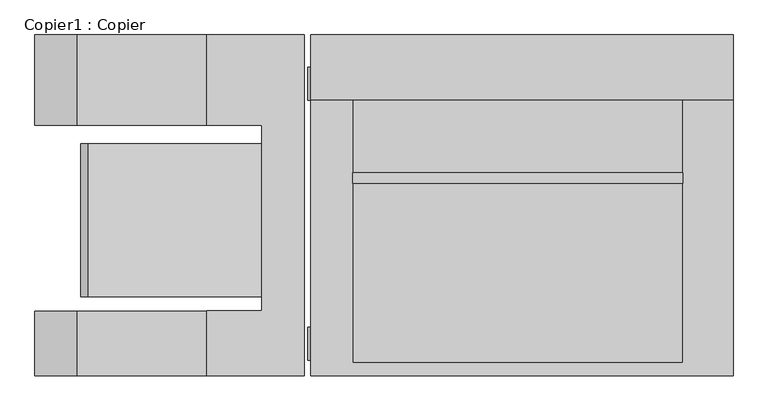
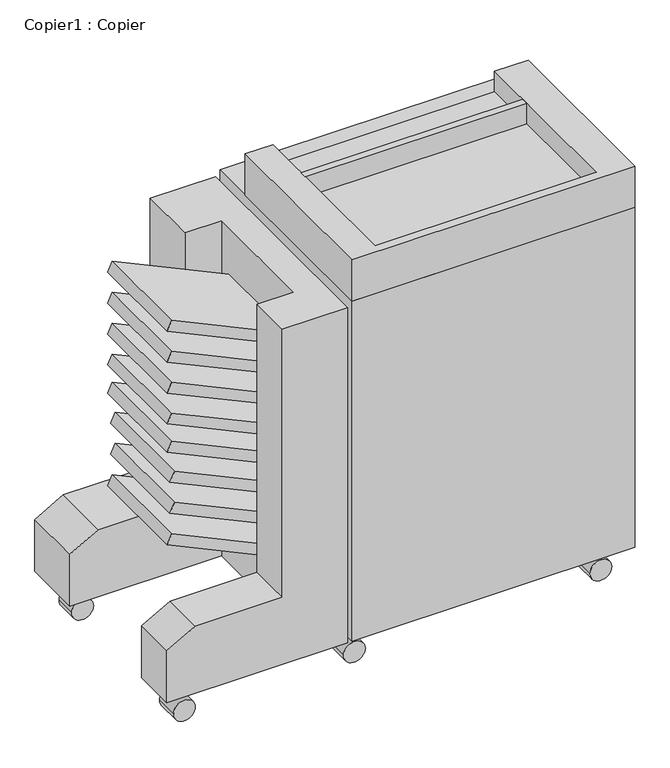
"""IFC4 building model written with IfcOpenShell, lengths in millimetres: proxy geometry, Copier1 : Copier."""

from ifc_helpers import new_model, si_unit, point, frame, frame_2d, origin, place, context, project, spatial, polyline, circle_curve, trimmed, segment, composite_curve, outline, extrude, faceted_brep, source, transform, mapped, element, save


def copier1_copier_7d72a301(model_context):
    return source(origin(), model_context, "Body", "SolidModel", [
        extrude(outline(polyline([(387.7567294, -681.6535349), (364.7365116, -692.3880388), (232.9041289, -409.6725817), (260.929928, -409.6725817), (387.7567294, -681.6535349)])), frame((0.0, -167.6536807, 0.0), z_axis=(0.0, 1.0, 0.0), x_axis=(0.0, 0.0, 1.0)), (0.0, 0.0, 1.0), 239.8222339),
        extrude(outline(polyline([(463.6667654, -675.0122673), (440.6465476, -685.7467712), (311.9110388, -409.6725817), (339.9368379, -409.6725817), (463.6667654, -675.0122673)])), frame((0.0, -167.6536807, 0.0), z_axis=(0.0, 1.0, 0.0), x_axis=(0.0, 0.0, 1.0)), (0.0, 0.0, 1.0), 239.8222339),
        extrude(outline(polyline([(539.8667654, -675.0122673), (516.8465476, -685.7467712), (388.1110388, -409.6725817), (416.1368379, -409.6725817), (539.8667654, -675.0122673)])), frame((0.0, -167.6536807, 0.0), z_axis=(0.0, 1.0, 0.0), x_axis=(0.0, 0.0, 1.0)), (0.0, 0.0, 1.0), 239.8222339),
        extrude(outline(polyline([(914.2268014, -681.6535349), (891.2065836, -692.3880388), (759.3742009, -409.6725817), (787.4, -409.6725817), (914.2268014, -681.6535349)])), frame((0.0, -167.6536807, 0.0), z_axis=(0.0, 1.0, 0.0), x_axis=(0.0, 0.0, 1.0)), (0.0, 0.0, 1.0), 239.8222339),
        extrude(outline(polyline([(838.0268014, -681.6535349), (815.0065836, -692.3880388), (683.1742009, -409.6725817), (711.2, -409.6725817), (838.0268014, -681.6535349)])), frame((0.0, -167.6536807, 0.0), z_axis=(0.0, 1.0, 0.0), x_axis=(0.0, 0.0, 1.0)), (0.0, 0.0, 1.0), 239.8222339),
        extrude(outline(polyline([(615.7768014, -681.6535349), (592.7565836, -692.3880388), (460.9242009, -409.6725817), (488.95, -409.6725817), (615.7768014, -681.6535349)])), frame((0.0, -167.6536807, 0.0), z_axis=(0.0, 1.0, 0.0), x_axis=(0.0, 0.0, 1.0)), (0.0, 0.0, 1.0), 239.8222339),
        extrude(outline(polyline([(685.6268014, -681.6535349), (662.6065836, -692.3880388), (530.7742009, -409.6725817), (558.8, -409.6725817), (685.6268014, -681.6535349)])), frame((0.0, -167.6536807, 0.0), z_axis=(0.0, 1.0, 0.0), x_axis=(0.0, 0.0, 1.0)), (0.0, 0.0, 1.0), 239.8222339),
        extrude(outline(polyline([(761.8268014, -681.6535349), (738.8065836, -692.3880388), (606.9742009, -409.6725817), (635.0, -409.6725817), (761.8268014, -681.6535349)])), frame((0.0, -167.6536807, 0.0), z_axis=(0.0, 1.0, 0.0), x_axis=(0.0, 0.0, 1.0)), (0.0, 0.0, 1.0), 239.8222339),
        extrude(outline(composite_curve([segment(trimmed(circle_curve(frame_2d((26.0668925, -711.8709821)), 25.4), [point((26.0668925, -737.2709821))], [point((26.0668925, -686.4709821))], False, "CARTESIAN"), True, "CONTINUOUS"), segment(trimmed(circle_curve(frame_2d((26.0668925, -711.8709821)), 25.4), [point((26.0668925, -686.4709821))], [point((26.0668925, -737.2709821))], False, "CARTESIAN"), True, "CONTINUOUS")], self_intersect=False)), frame((0.0, -271.1108348, 0.0), z_axis=(0.0, 1.0, 0.0), x_axis=(0.0, 0.0, 1.0)), (0.0, 0.0, 1.0), 55.9418879),
        extrude(outline(composite_curve([segment(trimmed(circle_curve(frame_2d((26.0668925, -711.8709821)), 25.4), [point((26.0668925, -737.2709821))], [point((26.0668925, -686.4709821))], False, "CARTESIAN"), True, "CONTINUOUS"), segment(trimmed(circle_curve(frame_2d((26.0668925, -711.8709821)), 25.4), [point((26.0668925, -686.4709821))], [point((26.0668925, -737.2709821))], False, "CARTESIAN"), True, "CONTINUOUS")], self_intersect=False)), frame((0.0, 139.9052479, 0.0), z_axis=(0.0, 1.0, 0.0), x_axis=(0.0, 0.0, 1.0)), (0.0, 0.0, 1.0), 51.3258053),
        faceted_brep([(-764.1654582, 242.0310532, 76.2), (-764.1654582, 242.0310532, 203.2), (-698.1743224, 242.0310532, 241.3), (-494.9743224, 242.0310532, 241.3), (-494.9743224, 242.0310532, 901.7), (-342.5743224, 242.0310532, 901.7), (-342.5743224, 242.0310532, 76.2), (-764.1654582, -291.3689468, 76.2), (-342.5743224, -291.3689468, 76.2), (-342.5743224, -291.3689468, 901.7), (-494.9743224, -291.3689468, 901.7), (-494.9743224, -291.3689468, 241.3), (-698.1743224, -291.3689468, 241.3), (-764.1654582, -291.3689468, 203.2), (-764.1654582, -189.7689468, 76.2), (-409.6725817, -189.7689468, 76.2), (-409.6725817, 100.8888364, 76.2), (-764.1654582, 100.8888364, 76.2), (-494.9743224, 100.8888364, 901.7), (-409.6725817, 100.8888364, 901.7), (-409.6725817, -189.7689468, 901.7), (-494.9743224, -189.7689468, 901.7), (-494.9743224, -189.7689468, 241.3), (-494.9743224, 100.8888364, 241.3), (-698.1743224, -189.7689468, 241.3), (-698.1743224, 100.8888364, 241.3), (-764.1654582, -189.7689468, 203.2), (-764.1654582, 100.8888364, 203.2)], [[[0, 1, 2, 3, 4, 5, 6]], [[7, 8, 9, 10, 11, 12, 13]], [[6, 8, 7, 14, 15, 16, 17, 0]], [[5, 9, 8, 6]], [[4, 18, 19, 20, 21, 10, 9, 5]], [[10, 21, 22, 11]], [[3, 23, 18, 4]], [[11, 22, 24, 12]], [[2, 25, 23, 3]], [[12, 24, 26, 13]], [[1, 27, 25, 2]], [[0, 17, 27, 1]], [[13, 26, 14, 7]], [[15, 14, 26, 24, 22, 21, 20]], [[19, 18, 23, 25, 27, 17, 16]], [[20, 19, 16, 15]]]),
        extrude(outline(composite_curve([segment(trimmed(circle_curve(frame_2d((27.9129458, -312.2555429)), 25.4), [point((27.9129458, -337.6555429))], [point((27.9129458, -286.8555429))], False, "CARTESIAN"), True, "CONTINUOUS"), segment(trimmed(circle_curve(frame_2d((27.9129458, -312.2555429)), 25.4), [point((27.9129458, -286.8555429))], [point((27.9129458, -337.6555429))], False, "CARTESIAN"), True, "CONTINUOUS")], self_intersect=False)), frame((0.0, -266.4947521, 0.0), z_axis=(0.0, 1.0, 0.0), x_axis=(0.0, 0.0, 1.0)), (0.0, 0.0, 1.0), 51.3258053),
        extrude(outline(composite_curve([segment(trimmed(circle_curve(frame_2d((27.9129458, 262.7398948)), 25.4), [point((27.9129458, 237.3398948))], [point((27.9129458, 288.1398948))], False, "CARTESIAN"), True, "CONTINUOUS"), segment(trimmed(circle_curve(frame_2d((27.9129458, 262.7398948)), 25.4), [point((27.9129458, 288.1398948))], [point((27.9129458, 237.3398948))], False, "CARTESIAN"), True, "CONTINUOUS")], self_intersect=False)), frame((0.0, -266.4947521, 0.0), z_axis=(0.0, 1.0, 0.0), x_axis=(0.0, 0.0, 1.0)), (0.0, 0.0, 1.0), 51.3258053),
        extrude(outline(composite_curve([segment(trimmed(circle_curve(frame_2d((27.9129458, -312.2555429)), 25.4), [point((27.9129458, -337.6555429))], [point((27.9129458, -286.8555429))], False, "CARTESIAN"), True, "CONTINUOUS"), segment(trimmed(circle_curve(frame_2d((27.9129458, -312.2555429)), 25.4), [point((27.9129458, -286.8555429))], [point((27.9129458, -337.6555429))], False, "CARTESIAN"), True, "CONTINUOUS")], self_intersect=False)), frame((0.0, 139.9052479, 0.0), z_axis=(0.0, 1.0, 0.0), x_axis=(0.0, 0.0, 1.0)), (0.0, 0.0, 1.0), 51.3258053),
        extrude(outline(composite_curve([segment(trimmed(circle_curve(frame_2d((27.9129458, 262.7398948)), 25.4), [point((27.9129458, 237.3398948))], [point((27.9129458, 288.1398948))], False, "CARTESIAN"), True, "CONTINUOUS"), segment(trimmed(circle_curve(frame_2d((27.9129458, 262.7398948)), 25.4), [point((27.9129458, 288.1398948))], [point((27.9129458, 237.3398948))], False, "CARTESIAN"), True, "CONTINUOUS")], self_intersect=False)), frame((0.0, 139.9052479, 0.0), z_axis=(0.0, 1.0, 0.0), x_axis=(0.0, 0.0, 1.0)), (0.0, 0.0, 1.0), 51.3258053),
        extrude(outline(composite_curve([segment(trimmed(circle_curve(frame_2d((27.9129458, -306.6302391)), 25.4), [point((27.9129458, -332.0302391))], [point((27.9129458, -281.2302391))], False, "CARTESIAN"), True, "CONTINUOUS"), segment(trimmed(circle_curve(frame_2d((27.9129458, -306.6302391)), 25.4), [point((27.9129458, -281.2302391))], [point((27.9129458, -332.0302391))], False, "CARTESIAN"), True, "CONTINUOUS")], self_intersect=False)), frame((0.0, 139.9052479, 0.0), z_axis=(0.0, 1.0, 0.0), x_axis=(0.0, 0.0, 1.0)), (0.0, 0.0, 1.0), 51.3258053),
        extrude(outline(composite_curve([segment(trimmed(circle_curve(frame_2d((27.9129458, 268.3651986)), 25.4), [point((27.9129458, 242.9651986))], [point((27.9129458, 293.7651986))], False, "CARTESIAN"), True, "CONTINUOUS"), segment(trimmed(circle_curve(frame_2d((27.9129458, 268.3651986)), 25.4), [point((27.9129458, 293.7651986))], [point((27.9129458, 242.9651986))], False, "CARTESIAN"), True, "CONTINUOUS")], self_intersect=False)), frame((0.0, 139.9052479, 0.0), z_axis=(0.0, 1.0, 0.0), x_axis=(0.0, 0.0, 1.0)), (0.0, 0.0, 1.0), 51.3258053),
        extrude(outline(polyline([(249.314028, 26.1310532), (249.314028, 10.0577181), (-267.2959958, 10.0577181), (-267.2959958, 26.1310532), (249.314028, 26.1310532)])), frame((0.0, 0.0, 965.2), z_axis=(0.0, 0.0, 1.0), x_axis=(1.0, 0.0, 0.0)), (0.0, 0.0, 1.0), 50.8),
        faceted_brep([(249.314028, 242.0310532, 472.3553727), (-284.085972, 242.0310532, 472.3553727), (-284.085972, 242.0310532, 609.6), (249.314028, 242.0310532, 609.6), (-66.7741493, 242.0310532, 578.8591447), (-66.7741493, 242.0310532, 553.4591447), (34.8258507, 242.0310532, 553.4591447), (34.8258507, 242.0310532, 578.8591447), (249.314028, 191.2310532, 472.3553727), (249.314028, 191.2310532, 609.6), (-284.085972, 191.2310532, 609.6), (-284.085972, 191.2310532, 472.3553727), (34.8258507, 216.6310532, 578.8591447), (34.8258507, 216.6310532, 553.4591447), (-66.7741493, 216.6310532, 553.4591447), (-66.7741493, 216.6310532, 578.8591447)], [[[0, 1, 2, 3], [4, 5, 6, 7]], [[8, 9, 10, 11]], [[3, 9, 8, 0]], [[2, 10, 9, 3]], [[1, 11, 10, 2]], [[0, 8, 11, 1]], [[12, 13, 14, 15]], [[15, 4, 7, 12]], [[14, 5, 4, 15]], [[13, 6, 5, 14]], [[12, 7, 6, 13]]]),
        faceted_brep([(249.314028, 242.0310532, 283.8723489), (-284.085972, 242.0310532, 283.8723489), (-284.085972, 242.0310532, 472.3553727), (249.314028, 242.0310532, 472.3553727), (-66.7741493, 242.0310532, 432.3774172), (-66.7741493, 242.0310532, 406.4), (34.8258507, 242.0310532, 406.4), (34.8258507, 242.0310532, 432.3774172), (249.314028, 191.2310532, 283.8723489), (249.314028, 191.2310532, 472.3553727), (-284.085972, 191.2310532, 472.3553727), (-284.085972, 191.2310532, 283.8723489), (34.8258507, 216.6310532, 432.3774172), (34.8258507, 216.6310532, 406.4), (-66.7741493, 216.6310532, 406.4), (-66.7741493, 216.6310532, 432.3774172)], [[[0, 1, 2, 3], [4, 5, 6, 7]], [[8, 9, 10, 11]], [[3, 9, 8, 0]], [[2, 10, 9, 3]], [[1, 11, 10, 2]], [[0, 8, 11, 1]], [[12, 13, 14, 15]], [[15, 4, 7, 12]], [[14, 5, 4, 15]], [[13, 6, 5, 14]], [[12, 7, 6, 13]]]),
        faceted_brep([(249.314028, 242.0310532, 76.2), (-284.085972, 242.0310532, 76.2), (-284.085972, 242.0310532, 283.8723489), (249.314028, 242.0310532, 283.8723489), (-66.7741493, 242.0310532, 246.5423898), (-66.7741493, 242.0310532, 211.1096445), (34.8258507, 242.0310532, 211.1096445), (34.8258507, 242.0310532, 246.5423898), (249.314028, 191.2310532, 76.2), (249.314028, 191.2310532, 283.8723489), (-284.085972, 191.2310532, 283.8723489), (-284.085972, 191.2310532, 76.2), (34.8258507, 216.6310532, 246.5423898), (34.8258507, 216.6310532, 211.1096445), (-66.7741493, 216.6310532, 211.1096445), (-66.7741493, 216.6310532, 246.5423898)], [[[0, 1, 2, 3], [4, 5, 6, 7]], [[8, 9, 10, 11]], [[3, 9, 8, 0]], [[2, 10, 9, 3]], [[1, 11, 10, 2]], [[0, 8, 11, 1]], [[12, 13, 14, 15]], [[15, 4, 7, 12]], [[14, 5, 4, 15]], [[13, 6, 5, 14]], [[12, 7, 6, 13]]]),
        faceted_brep([(328.0345418, -291.3689468, 1016.0), (328.0345418, 139.9052479, 1016.0), (249.314028, 139.9052479, 1016.0), (249.314028, -271.1108348, 1016.0), (-267.2959958, -271.1108348, 1016.0), (-267.2959958, 139.9052479, 1016.0), (-332.3654582, 139.9052479, 1016.0), (-332.3654582, -291.3689468, 1016.0), (328.0345418, -291.3689468, 914.4), (-332.3654582, -291.3689468, 914.4), (-332.3654582, 139.9052479, 914.4), (328.0345418, 139.9052479, 914.4), (-267.2959958, 139.9052479, 965.2), (249.314028, 139.9052479, 965.2), (249.314028, -271.1108348, 965.2), (-267.2959958, -271.1108348, 965.2)], [[[0, 1, 2, 3, 4, 5, 6, 7]], [[8, 9, 10, 11]], [[7, 9, 8, 0]], [[6, 10, 9, 7]], [[10, 6, 5, 12, 13, 2, 1, 11]], [[0, 8, 11, 1]], [[14, 13, 12, 15]], [[15, 4, 3, 14]], [[12, 5, 4, 15]], [[14, 3, 2, 13]]]),
        faceted_brep([(328.0345418, -291.3689468, 914.4), (328.0345418, 242.0310532, 914.4), (-332.3654582, 242.0310532, 914.4), (-332.3654582, -291.3689468, 914.4), (328.0345418, -291.3689468, 76.2), (-332.3654582, -291.3689468, 76.2), (-332.3654582, 242.0310532, 76.2), (-284.085972, 242.0310532, 76.2), (-284.085972, 191.2310532, 76.2), (249.314028, 191.2310532, 76.2), (249.314028, 242.0310532, 76.2), (328.0345418, 242.0310532, 76.2), (249.314028, 242.0310532, 609.6), (-284.085972, 242.0310532, 609.6), (-284.085972, 191.2310532, 609.6), (249.314028, 191.2310532, 609.6)], [[[0, 1, 2, 3]], [[4, 5, 6, 7, 8, 9, 10, 11]], [[3, 5, 4, 0]], [[2, 6, 5, 3]], [[1, 11, 10, 12, 13, 7, 6, 2]], [[0, 4, 11, 1]], [[14, 15, 9, 8]], [[8, 7, 13, 14]], [[15, 12, 10, 9]], [[14, 13, 12, 15]]]),
    ])


if __name__ == "__main__":
    model = new_model("IFC4")
    model_context = context("Model", 3, world=origin())
    ifc_project = project(units=[si_unit("LENGTHUNIT", "METRE", prefix="MILLI")], contexts=[model_context])
    site = spatial("IfcSite", under=ifc_project)
    building = spatial("IfcBuilding", under=site)
    placement = place(None, origin())
    copier1_copier_shape = copier1_copier_7d72a301(model_context)
    element("IfcBuildingElementProxy", 1, Name="Copier1 : Copier", ObjectType="Copier1 : Copier", at=placement, inside=building, context=model_context, shape_type="MappedRepresentation", body=[
        mapped(copier1_copier_shape, transform((0.0, 0.0, 0.0), x_axis=(1.0, 0.0, 0.0), y_axis=(0.0, 1.0, 0.0), z_axis=(0.0, 0.0, 1.0))),
    ])
    save(model, "model.ifc")
